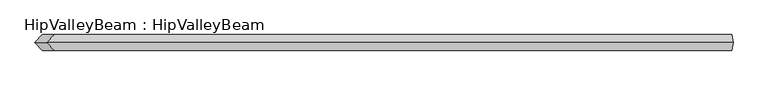
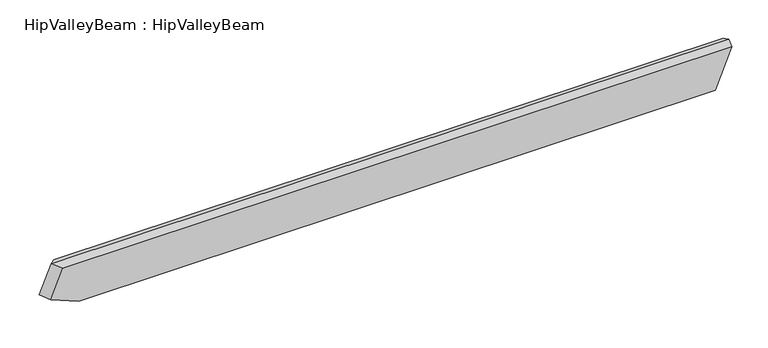
"""IFC4 building model written with IfcOpenShell, lengths in millimetres: beam geometry, HipValleyBeam : HipValleyBeam."""

from ifc_helpers import new_model, si_unit, origin, place, context, project, spatial, faceted_brep, source, transform, mapped, element, save


def hipvalleybeam_hipvalleybeam_1432b62f(model_context):
    return source(origin(), model_context, "Body", "Brep", [
        faceted_brep([(1042.6634061, -25.0, -140.0), (-1024.6853619, -25.0, -140.0), (-1024.6853619, 25.0, -140.0), (1042.6634061, 25.0, -140.0), (1095.960583, -25.0, -9.4491118), (-1076.6726643, -25.0, -9.4491118), (-1114.9292013, -25.0, -103.1581068), (-1114.9292013, 25.0, -103.1581068), (-1076.6726643, 25.0, -9.4491118), (1095.960583, 25.0, -9.4491118), (1099.8181668, 0.0, 0.0), (-1099.8181668, 0.0, 0.0), (-1138.0747038, 0.0, -93.708995)], [[[0, 1, 2, 3]], [[4, 5, 6, 1, 0]], [[3, 2, 7, 8, 9]], [[3, 9, 10, 4, 0]], [[11, 12, 6, 5]], [[8, 7, 12, 11]], [[11, 5, 4, 10]], [[1, 6, 12, 7, 2]], [[10, 9, 8, 11]]]),
    ])


if __name__ == "__main__":
    model = new_model("IFC4")
    model_context = context("Model", 3, world=origin())
    ifc_project = project(units=[si_unit("LENGTHUNIT", "METRE", prefix="MILLI")], contexts=[model_context])
    site = spatial("IfcSite", under=ifc_project)
    building = spatial("IfcBuilding", under=site)
    placement = place(None, origin())
    hipvalleybeam_hipvalleybeam_shape = hipvalleybeam_hipvalleybeam_1432b62f(model_context)
    element("IfcBeam", 1, ObjectType="HipValleyBeam : HipValleyBeam", at=placement, inside=building, context=model_context, shape_type="MappedRepresentation", body=[
        mapped(hipvalleybeam_hipvalleybeam_shape, transform((0.0, 0.0, 0.0), x_axis=(1.0, 0.0, 0.0), y_axis=(0.0, 1.0, 0.0), z_axis=(0.0, 0.0, 1.0))),
    ])
    save(model, "model.ifc")
